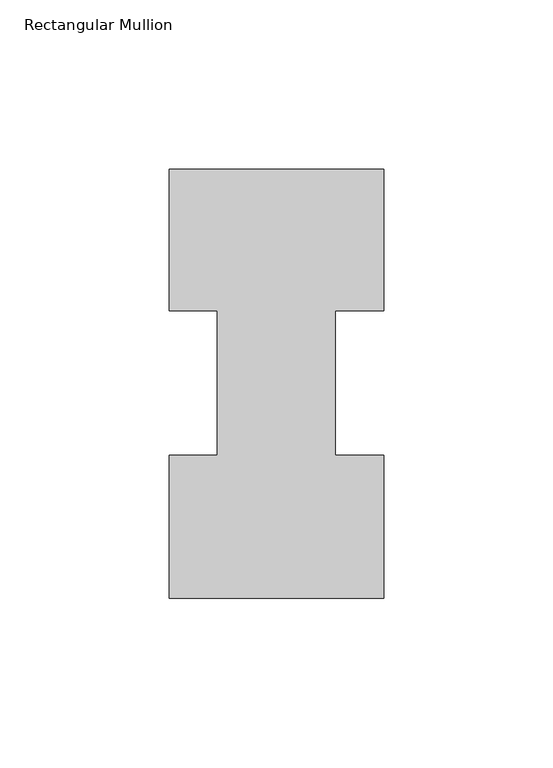
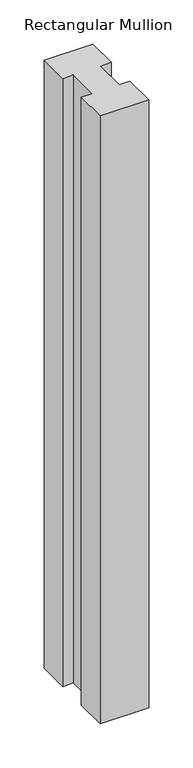
"""IFC4 building model written with IfcOpenShell, lengths in millimetres: member geometry, Rectangular Mullion."""

from ifc_helpers import new_model, si_unit, frame, origin, place, context, project, spatial, polyline, outline, extrude, source, transform, mapped, element, save


def rectangular_mullion_c721a9f6(model_context):
    return source(origin(), model_context, "Body", "SweptSolid", [
        extrude(outline(polyline([(31.75, 84.93125), (17.4625, 84.93125), (17.4625, 42.08145), (31.75, 42.08145), (31.75, -0.20955), (-31.75, -0.20955), (-31.75, 42.08145), (-17.4625, 42.08145), (-17.4625, 84.93125), (-31.75, 84.93125), (-31.75, 126.79045), (31.75, 126.79045), (31.75, 84.93125)])), frame((0.0, 0.0, -841.375), z_axis=(0.0, 0.0, 1.0), x_axis=(1.0, 0.0, 0.0)), (0.0, 0.0, 1.0), 841.375),
    ])


if __name__ == "__main__":
    model = new_model("IFC4")
    model_context = context("Model", 3, world=origin())
    ifc_project = project(units=[si_unit("LENGTHUNIT", "METRE", prefix="MILLI")], contexts=[model_context])
    site = spatial("IfcSite", under=ifc_project)
    building = spatial("IfcBuilding", under=site)
    placement = place(None, origin())
    rectangular_mullion_shape = rectangular_mullion_c721a9f6(model_context)
    element("IfcMember", 1, ObjectType="Rectangular Mullion", at=placement, inside=building, context=model_context, shape_type="MappedRepresentation", body=[
        mapped(rectangular_mullion_shape, transform((0.0, 0.0, 0.0), x_axis=(1.0, 0.0, 0.0), y_axis=(0.0, 1.0, 0.0), z_axis=(0.0, 0.0, 1.0))),
    ])
    save(model, "model.ifc")
